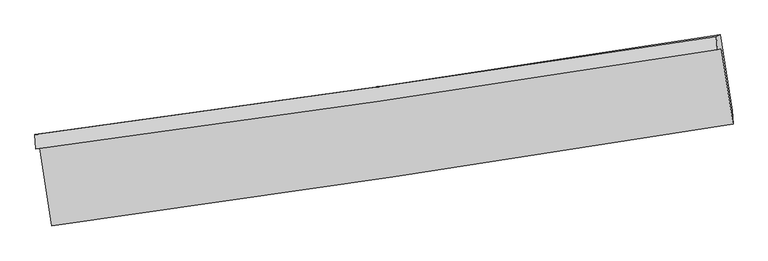
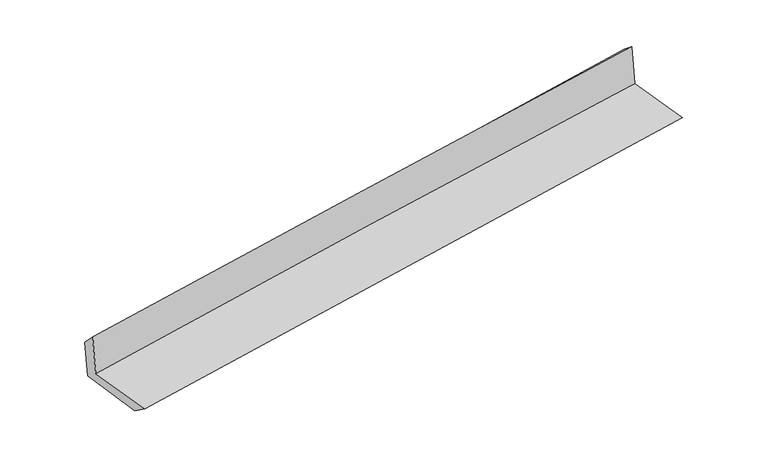
"""IFC4 building model written with IfcOpenShell, lengths in millimetres: proxy geometry."""

from ifc_helpers import new_model, si_unit, frame, origin, place, context, project, spatial, source, transform, mapped, element, save
from ifc_brep_helpers import plane_surface, spline_curve, spline_surface, advanced_brep


def generic_models_eeaf5137(model_context):
    return source(origin(), model_context, "Body", "AdvancedBrep", [
        advanced_brep(
        [(-2997.6481549, -1918.736346, 1627.8460936), (-2893.0115294, -2595.8746292, 1627.2001553), (3048.7673966, -1708.6391637, 2123.3018554), (2947.4120079, -1051.0467447, 2120.9498616), (-3032.5582469, -1924.5209949, 2036.7598065), (2912.738794, -1059.9185227, 2532.6036116), (-3040.6173821, -1798.613825, 1906.7140246), (2903.2070886, -944.4081223, 2437.7151574), (-3008.574987, -1793.3043573, 1531.3906149), (2935.8224119, -928.3491816, 2036.8871408), (-2907.0992443, -2442.5592496, 1517.6613469), (3039.2599155, -1590.2674644, 2023.0896444)],
        [
            (0, 1),
            (1, 2, spline_curve(3, [(-2893.0115294, -2595.8746292, 1627.2001553), (-1901.821413976, -2459.099257839, 1718.9490638), (-911.065247379, -2316.773216372, 1806.166283811), (1069.527682516, -2021.027484088, 1971.533045831), (2059.364491503, -1867.608370413, 2049.683059142), (3048.7673966, -1708.6391637, 2123.3018554)], [4, 2, 4], [0.0, 9.889277700879234, 19.77804107435481])),
            (2, 3),
            (3, 0, spline_curve(3, [(2947.4120079, -1051.0467447, 2120.9498616), (1956.037725743, -1201.865878541, 2055.470231238), (964.941780567, -1349.581112291, 1981.639721272), (-1016.744969275, -1638.811302532, 1817.272667368), (-2007.335745177, -1780.325935525, 1726.735254759), (-2997.6481549, -1918.736346, 1627.8460936)], [4, 2, 4], [0.0, 9.888763373475577, 19.77804107435481])),
            (4, 0),
            (3, 5),
            (5, 4, spline_curve(3, [(2912.738794, -1059.9185227, 2532.6036116), (1922.364218515, -1216.339413893, 2465.587304437), (931.748400603, -1366.59835189, 2390.76011156), (-1050.017254364, -1654.799816981, 2225.479655527), (-2041.167117269, -1792.741702828, 2135.025580141), (-3032.5582469, -1924.5209949, 2036.7598065)], [4, 2, 4], [0.0, 9.889036617186314, 19.77858757598804])),
            (6, 4),
            (5, 7),
            (7, 6, spline_curve(3, [(2903.2070886, -944.4081223, 2437.7151574), (1913.45231597, -1094.960373167, 2353.268260397), (923.269115631, -1241.418562638, 2266.795920859), (-1058.005663227, -1526.154222905, 2089.795754257), (-2049.097286474, -1664.431267707, 1999.267715864), (-3040.6173821, -1798.613825, 1906.7140246)], [4, 2, 4], [0.0, 9.888876213597976, 19.77826676046857])),
            (8, 6),
            (7, 9),
            (9, 8, spline_curve(3, [(2935.8224119, -928.3491816, 2036.8871408), (1946.377946821, -1084.177237039, 1958.202277354), (956.302163028, -1234.16913996, 1876.736302827), (-1025.163571189, -1522.488139168, 1708.237750373), (-2016.553586592, -1660.814627825, 1621.204882633), (-3008.574987, -1793.3043573, 1531.3906149)], [4, 2, 4], [0.0, 9.888770082263791, 19.77805449228017])),
            (10, 8),
            (9, 11),
            (11, 10, spline_curve(3, [(3039.2599155, -1590.2674644, 2023.0896444), (2049.151193149, -1741.789619592, 1944.396058313), (1058.579800012, -1888.573288934, 1862.931407834), (-923.539871779, -2172.67104342, 1694.455596758), (-1915.088198604, -2309.984636036, 1607.444148252), (-2907.0992443, -2442.5592496, 1517.6613469)], [4, 2, 4], [0.0, 9.888841172676294, 19.77819667680268])),
            (1, 10),
            (11, 2),
        ],
        [
            spline_surface(3, 3, [[(-2997.6481549, -1918.736346, 1627.8460936), (-2007.335745084, -1780.325935518, 1726.735254722), (-1016.744969293, -1638.811302408, 1817.272667342), (964.941780585, -1349.581112415, 1981.639721297), (1956.037725746, -1201.865878443, 2055.470231361), (2947.4120079, -1051.0467447, 2120.9498616)], [(-2962.769279757, -2144.449107069, 1627.630780833), (-1972.16430142, -2006.58370966, 1724.139857786), (-981.518395377, -1864.798607088, 1813.570539491), (999.803747947, -1573.396569582, 1978.27082946), (1990.479980999, -1423.780042381, 2053.541174005), (2981.197137471, -1270.244217696, 2121.733859532)], [(-2927.890404543, -2370.161868131, 1627.415468067), (-1936.992857684, -2232.841483795, 1721.544460851), (-946.291821455, -2090.785911815, 1809.868411674), (1034.665715313, -1797.212026797, 1974.901937656), (2024.92223624, -1645.694206329, 2051.612116653), (3014.982267029, -1489.441690704, 2122.517857468)], [(-2893.0115294, -2595.8746292, 1627.2001553), (-1901.821414019, -2459.099257937, 1718.949063915), (-911.065247539, -2316.773216495, 1806.166283823), (1069.527682675, -2021.027483964, 1971.533045819), (2059.364491493, -1867.608370267, 2049.683059297), (3048.7673966, -1708.6391637, 2123.3018554)]], [4, 4], [4, 2, 4], [0.0, 2.240579034456857], [0.0, 9.889277700879234, 19.77804107435481]),
            spline_surface(3, 3, [[(-3032.5582469, -1924.5209949, 2036.7598065), (-2041.167117123, -1792.741702856, 2135.025580236), (-1050.017254477, -1654.799816979, 2225.479655633), (931.748400716, -1366.598351892, 2390.760111453), (1922.364218393, -1216.339413744, 2465.587304456), (2912.738794, -1059.9185227, 2532.6036116)], [(-3020.921549562, -1922.592778587, 1900.455235521), (-2029.889993106, -1788.603113731, 1998.928805052), (-1038.926492733, -1649.470312143, 2089.410659546), (942.812860688, -1360.925938754, 2254.386648078), (1933.58872085, -1211.514901977, 2328.88161342), (2924.296531973, -1056.961263367, 2395.38569493)], [(-3009.284852238, -1920.664562313, 1764.150664579), (-2018.612869102, -1784.464524643, 1862.832029905), (-1027.835731036, -1644.140807244, 1953.341663429), (953.877320613, -1355.253525553, 2118.013184673), (1944.813223289, -1206.69039021, 2192.175922396), (2935.854269927, -1054.004004033, 2258.16777827)], [(-2997.6481549, -1918.736346, 1627.8460936), (-2007.335745084, -1780.325935518, 1726.735254722), (-1016.744969293, -1638.811302408, 1817.272667342), (964.941780585, -1349.581112415, 1981.639721297), (1956.037725746, -1201.865878443, 2055.470231361), (2947.4120079, -1051.0467447, 2120.9498616)]], [4, 4], [4, 2, 4], [0.0, 1.3462751984879402], [0.0, 9.889550958801728, 19.77858757598804]),
            spline_surface(3, 3, [[(-3040.6173821, -1798.613825, 1906.7140246), (-2049.097286532, -1664.431267649, 1999.267715994), (-1058.005663297, -1526.154222843, 2089.795754102), (923.269115702, -1241.4185627, 2266.795921014), (1913.452316035, -1094.96037332, 2353.268260488), (2903.2070886, -944.4081223, 2437.7151574)], [(-3037.93100368, -1840.582881638, 1950.062618593), (-2046.45389671, -1707.201412723, 2044.520337435), (-1055.342860359, -1569.036087545, 2135.023721278), (926.095544037, -1283.145159088, 2308.117317825), (1916.422950163, -1135.420053469, 2390.707941812), (2906.384323742, -982.911589108, 2469.344642135)], [(-3035.24462532, -1882.551938262, 1993.411212507), (-2043.810506946, -1749.971557782, 2089.772958795), (-1052.680057414, -1611.917952276, 2180.251688457), (928.921972381, -1324.871755504, 2349.438714641), (1919.393584265, -1175.879733595, 2428.147623132), (2909.561558858, -1021.415055892, 2500.974126865)], [(-3032.5582469, -1924.5209949, 2036.7598065), (-2041.167117123, -1792.741702856, 2135.025580236), (-1050.017254477, -1654.799816979, 2225.479655633), (931.748400716, -1366.598351892, 2390.760111453), (1922.364218393, -1216.339413744, 2465.587304456), (2912.738794, -1059.9185227, 2532.6036116)]], [4, 4], [4, 2, 4], [0.0, 0.5962560934241952], [0.0, 9.889390546870592, 19.77826676046857]),
            spline_surface(3, 3, [[(-3008.574987, -1793.3043573, 1531.3906149), (-2016.553586683, -1660.814627955, 1621.204882773), (-1025.163571066, -1522.488139075, 1708.237750269), (956.302162906, -1234.169140052, 1876.736302931), (1946.377946899, -1084.177237064, 1958.202277399), (2935.8224119, -928.3491816, 2036.8871408)], [(-3019.255785378, -1795.074179876, 1656.498418128), (-2027.401486644, -1662.02017453, 1747.225827175), (-1036.110935147, -1523.710166987, 1835.423751535), (945.291147167, -1236.585614258, 2006.756175614), (1935.402736586, -1087.771615818, 2089.890938431), (2924.950637442, -933.702161835, 2170.496479669)], [(-3029.936583722, -1796.844002424, 1781.606221372), (-2038.249386571, -1663.225721075, 1873.246771593), (-1047.058299216, -1524.932194931, 1962.609752836), (934.280131441, -1239.002088495, 2136.776048331), (1924.427526347, -1091.365994566, 2221.579599457), (2914.078863058, -939.055142065, 2304.105818531)], [(-3040.6173821, -1798.613825, 1906.7140246), (-2049.097286532, -1664.431267649, 1999.267715994), (-1058.005663297, -1526.154222843, 2089.795754102), (923.269115702, -1241.4185627, 2266.795921014), (1913.452316035, -1094.96037332, 2353.268260488), (2903.2070886, -944.4081223, 2437.7151574)]], [4, 4], [4, 2, 4], [0.0, 1.270506836686803], [0.0, 9.889284410016378, 19.77805449228017]),
            spline_surface(3, 3, [[(-2907.0992443, -2442.5592496, 1517.6613469), (-1915.088198726, -2309.984635979, 1607.444148143), (-923.539871793, -2172.671043504, 1694.455596841), (1058.579800027, -1888.57328885, 1862.93140775), (2049.151192995, -1741.789619588, 1944.396058213), (3039.2599155, -1590.2674644, 2023.0896444)], [(-2940.924491855, -2226.140952177, 1522.237769549), (-1948.9099947, -2093.594633315, 1612.031059669), (-957.414438214, -1955.943408707, 1699.049648), (1024.487254323, -1670.438572597, 1867.533039493), (2014.893444304, -1522.585492072, 1948.998131255), (3004.780747641, -1369.628036792, 2027.688809847)], [(-2974.749739445, -2009.722654723, 1526.814192251), (-1982.731790709, -1877.204630619, 1616.617971247), (-991.289004645, -1739.215773872, 1703.64369911), (990.394708609, -1452.303856305, 1872.134671188), (1980.63569559, -1303.381364579, 1953.600204356), (2970.301579759, -1148.988609208, 2032.287975353)], [(-3008.574987, -1793.3043573, 1531.3906149), (-2016.553586683, -1660.814627955, 1621.204882773), (-1025.163571066, -1522.488139075, 1708.237750269), (956.302162906, -1234.169140052, 1876.736302931), (1946.377946899, -1084.177237064, 1958.202277399), (2935.8224119, -928.3491816, 2036.8871408)]], [4, 4], [4, 2, 4], [0.0, 2.166524424818402], [0.0, 9.889355504126385, 19.77819667680268]),
            spline_surface(3, 3, [[(-2893.0115294, -2595.8746292, 1627.2001553), (-1901.821414019, -2459.099257937, 1718.949063915), (-911.065247539, -2316.773216495, 1806.166283823), (1069.527682675, -2021.027483964, 1971.533045819), (2059.364491493, -1867.608370267, 2049.683059297), (3048.7673966, -1708.6391637, 2123.3018554)], [(-2897.707434367, -2544.769502651, 1590.687219175), (-1906.243675589, -2409.394383936, 1681.780758666), (-915.223455634, -2268.739158833, 1768.929388159), (1065.878388449, -1976.876085595, 1935.332499793), (2055.960058658, -1825.668786709, 2014.58739229), (3045.598236231, -1669.181930602, 2089.897785088)], [(-2902.403339333, -2493.664376149, 1554.174283025), (-1910.665937157, -2359.68950998, 1644.612453392), (-919.381663698, -2220.705101166, 1731.692492505), (1062.229094253, -1932.72468722, 1899.131953776), (2052.55562583, -1783.729203146, 1979.491725219), (3042.429075869, -1629.724697498, 2056.493714712)], [(-2907.0992443, -2442.5592496, 1517.6613469), (-1915.088198726, -2309.984635979, 1607.444148143), (-923.539871793, -2172.671043504, 1694.455596841), (1058.579800027, -1888.57328885, 1862.93140775), (2049.151192995, -1741.789619588, 1944.396058213), (3039.2599155, -1590.2674644, 2023.0896444)]], [4, 4], [4, 2, 4], [0.0, 0.5812968044344196], [0.0, 9.889233908007673, 19.777953490889296]),
            plane_surface(frame((2964.5346024, -1213.7715332, 2212.4245452), z_axis=(0.9846033595325746, 0.15206626101335022, 0.0862094928565725), x_axis=(-0.08103723730601331, -0.03990063731774935, 0.9959120971809944))),
            plane_surface(frame((-2979.9182574, -2078.9349003, 1707.9286736), z_axis=(-0.9846033595333257, -0.15206626101048407, -0.08620949285305024), x_axis=(-0.15271506665437848, 0.9882698111696229, 0.0009427340593880458))),
        ],
        [
            (0, [[1, 2, 3, 4]]),
            (1, [[5, -4, 6, 7]]),
            (2, [[8, -7, 9, 10]]),
            (3, [[11, -10, 12, 13]]),
            (4, [[14, -13, 15, 16]]),
            (5, [[17, -16, 18, -2]]),
            (6, [[-12, -9, -6, -3, -18, -15]]),
            (7, [[-1, -5, -8, -11, -14, -17]]),
        ],
    ),
    ])


if __name__ == "__main__":
    model = new_model("IFC4")
    model_context = context("Model", 3, world=origin())
    ifc_project = project(units=[si_unit("LENGTHUNIT", "METRE", prefix="MILLI")], contexts=[model_context])
    site = spatial("IfcSite", under=ifc_project)
    building = spatial("IfcBuilding", under=site)
    placement = place(None, origin())
    generic_models_shape = generic_models_eeaf5137(model_context)
    element("IfcBuildingElementProxy", 1, Name="Generic Models", at=placement, inside=building, context=model_context, shape_type="MappedRepresentation", body=[
        mapped(generic_models_shape, transform((0.0, 0.0, 0.0), x_axis=(1.0, 0.0, 0.0), y_axis=(0.0, 1.0, 0.0), z_axis=(0.0, 0.0, 1.0))),
    ])
    save(model, "model.ifc")
